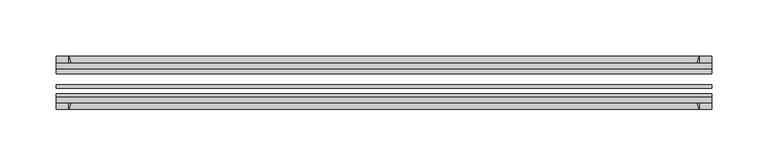
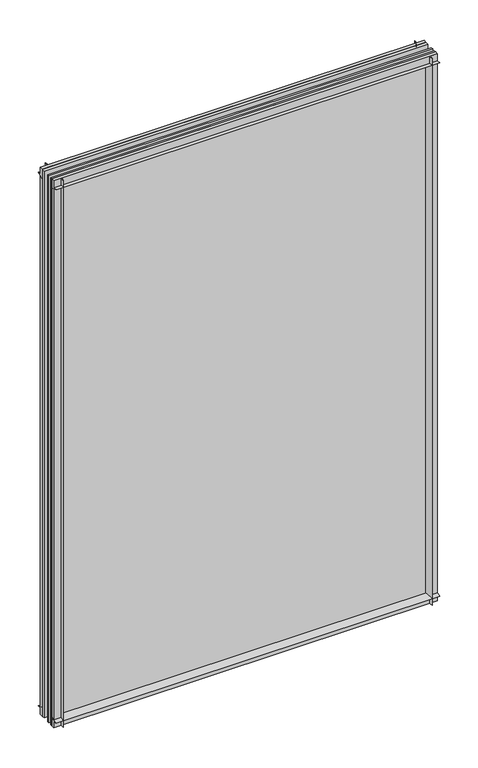
"""IFC4 building model written with IfcOpenShell, lengths in millimetres: plate geometry."""

from ifc_helpers import new_model, si_unit, point, frame, frame_2d, origin, place, context, project, spatial, polyline, circle_curve, trimmed, segment, composite_curve, outline, extrude, source, transform, mapped, element, save


def plate_1794eae0(model_context):
    return source(origin(), model_context, "Body", "SweptSolid", [
        extrude(outline(composite_curve([segment(polyline([(-74.653775, 0.0), (-80.586498, 0.0)]), True, "CONTINUOUS"), segment(trimmed(circle_curve(frame_2d((-86.2543953, 32.273404)), 32.7673262), [point((-80.586498, 0.0))], [point((-69.878575, 3.8915405))], True, "CARTESIAN"), True, "CONTINUOUS"), segment(polyline([(-69.878575, 3.8915405), (-69.878575, -10.31875), (-74.653775, -10.31875), (-74.653775, 0.0)]), True, "CONTINUOUS")], self_intersect=False)), frame((-290.5125, 0.0, 0.0), z_axis=(1.0, 0.0, 0.0), x_axis=(0.0, 1.0, 0.0)), (0.0, 0.0, 1.0), 581.025),
        extrude(outline(composite_curve([segment(polyline([(-44.478575, -10.31875), (-44.478575, 3.8915405)]), True, "CONTINUOUS"), segment(trimmed(circle_curve(frame_2d((-28.1027547, 32.273404)), 32.7673262), [point((-44.478575, 3.8915405))], [point((-33.770652, 0.0))], True, "CARTESIAN"), True, "CONTINUOUS"), segment(polyline([(-33.770652, 0.0), (-39.703375, 0.0), (-39.703375, -10.31875), (-44.478575, -10.31875)]), True, "CONTINUOUS")], self_intersect=False)), frame((-290.5125, 0.0, 0.0), z_axis=(1.0, 0.0, 0.0), x_axis=(0.0, 1.0, 0.0)), (0.0, 0.0, 1.0), 581.025),
        extrude(outline(composite_curve([segment(trimmed(circle_curve(frame_2d((-86.2543953, 821.795246)), 32.7673262), [point((-69.878575, 850.1771095))], [point((-80.622775, 854.075))], True, "CARTESIAN"), True, "CONTINUOUS"), segment(polyline([(-80.622775, 854.075), (-74.653775, 854.075), (-74.653775, 865.1875), (-69.878575, 865.1875), (-69.878575, 850.1771095)]), True, "CONTINUOUS")], self_intersect=False)), frame((-290.5125, 0.0, 0.0), z_axis=(1.0, 0.0, 0.0), x_axis=(0.0, 1.0, 0.0)), (0.0, 0.0, 1.0), 581.025),
        extrude(outline(composite_curve([segment(polyline([(-44.478575, 850.1771095), (-44.478575, 865.1875), (-39.703375, 865.1875), (-39.703375, 854.075), (-33.734375, 854.075)]), True, "CONTINUOUS"), segment(trimmed(circle_curve(frame_2d((-28.1027547, 821.795246)), 32.7673262), [point((-33.734375, 854.075))], [point((-44.478575, 850.1771095))], True, "CARTESIAN"), True, "CONTINUOUS")], self_intersect=False)), frame((-290.5125, 0.0, 0.0), z_axis=(1.0, 0.0, 0.0), x_axis=(0.0, 1.0, 0.0)), (0.0, 0.0, 1.0), 581.025),
        extrude(outline(composite_curve([segment(polyline([(275.5021095, -69.878575), (290.5125, -69.878575), (290.5125, -74.653775), (279.4, -74.653775), (279.4, -80.622775)]), True, "CONTINUOUS"), segment(trimmed(circle_curve(frame_2d((247.120246, -86.2543953)), 32.7673262), [point((279.4, -80.622775))], [point((275.5021095, -69.878575))], True, "CARTESIAN"), True, "CONTINUOUS")], self_intersect=False)), frame((0.0, 0.0, -10.31875), z_axis=(0.0, 0.0, 1.0), x_axis=(1.0, 0.0, 0.0)), (0.0, 0.0, 1.0), 875.50625),
        extrude(outline(composite_curve([segment(trimmed(circle_curve(frame_2d((247.120246, -28.1027547)), 32.7673262), [point((275.5021095, -44.478575))], [point((279.4, -33.734375))], True, "CARTESIAN"), True, "CONTINUOUS"), segment(polyline([(279.4, -33.734375), (279.4, -39.703375), (290.5125, -39.703375), (290.5125, -44.478575), (275.5021095, -44.478575)]), True, "CONTINUOUS")], self_intersect=False)), frame((0.0, 0.0, -10.31875), z_axis=(0.0, 0.0, 1.0), x_axis=(1.0, 0.0, 0.0)), (0.0, 0.0, 1.0), 875.50625),
        extrude(outline(composite_curve([segment(trimmed(circle_curve(frame_2d((-247.120246, -86.2543953)), 32.7673262), [point((-275.5021095, -69.878575))], [point((-279.4, -80.622775))], True, "CARTESIAN"), True, "CONTINUOUS"), segment(polyline([(-279.4, -80.622775), (-279.4, -74.653775), (-290.5125, -74.653775), (-290.5125, -69.878575), (-275.5021095, -69.878575)]), True, "CONTINUOUS")], self_intersect=False)), frame((0.0, 0.0, -10.31875), z_axis=(0.0, 0.0, 1.0), x_axis=(1.0, 0.0, 0.0)), (0.0, 0.0, 1.0), 875.50625),
        extrude(outline(composite_curve([segment(polyline([(-275.5021095, -44.478575), (-290.5125, -44.478575), (-290.5125, -39.703375), (-279.4, -39.703375), (-279.4, -33.734375)]), True, "CONTINUOUS"), segment(trimmed(circle_curve(frame_2d((-247.120246, -28.1027547)), 32.7673262), [point((-279.4, -33.734375))], [point((-275.5021095, -44.478575))], True, "CARTESIAN"), True, "CONTINUOUS")], self_intersect=False)), frame((0.0, 0.0, -10.31875), z_axis=(0.0, 0.0, 1.0), x_axis=(1.0, 0.0, 0.0)), (0.0, 0.0, 1.0), 875.50625),
        extrude(outline(polyline([(-290.5125, -44.478575), (290.5125, -44.478575), (290.5125, -49.241075), (-290.5125, -49.241075), (-290.5125, -44.478575)])), frame((0.0, 0.0, -10.31875), z_axis=(0.0, 0.0, 1.0), x_axis=(1.0, 0.0, 0.0)), (0.0, 0.0, 1.0), 875.50625),
        extrude(outline(polyline([(290.5125, -58.956575), (290.5125, -62.131575), (-290.5125, -62.131575), (-290.5125, -58.956575), (290.5125, -58.956575)])), frame((0.0, 0.0, -10.31875), z_axis=(0.0, 0.0, 1.0), x_axis=(1.0, 0.0, 0.0)), (0.0, 0.0, 1.0), 875.50625),
        extrude(outline(polyline([(-290.5125, -66.703575), (290.5125, -66.703575), (290.5125, -69.878575), (-290.5125, -69.878575), (-290.5125, -66.703575)])), frame((0.0, 0.0, -10.31875), z_axis=(0.0, 0.0, 1.0), x_axis=(1.0, 0.0, 0.0)), (0.0, 0.0, 1.0), 875.50625),
    ])


if __name__ == "__main__":
    model = new_model("IFC4")
    model_context = context("Model", 3, world=origin())
    ifc_project = project(units=[si_unit("LENGTHUNIT", "METRE", prefix="MILLI")], contexts=[model_context])
    site = spatial("IfcSite", under=ifc_project)
    building = spatial("IfcBuilding", under=site)
    placement = place(None, origin())
    plate_shape = plate_1794eae0(model_context)
    element("IfcPlate", 1, at=placement, inside=building, context=model_context, shape_type="MappedRepresentation", body=[
        mapped(plate_shape, transform((0.0, 0.0, 0.0), x_axis=(1.0, 0.0, 0.0), y_axis=(0.0, 1.0, 0.0), z_axis=(0.0, 0.0, 1.0))),
    ])
    save(model, "model.ifc")
